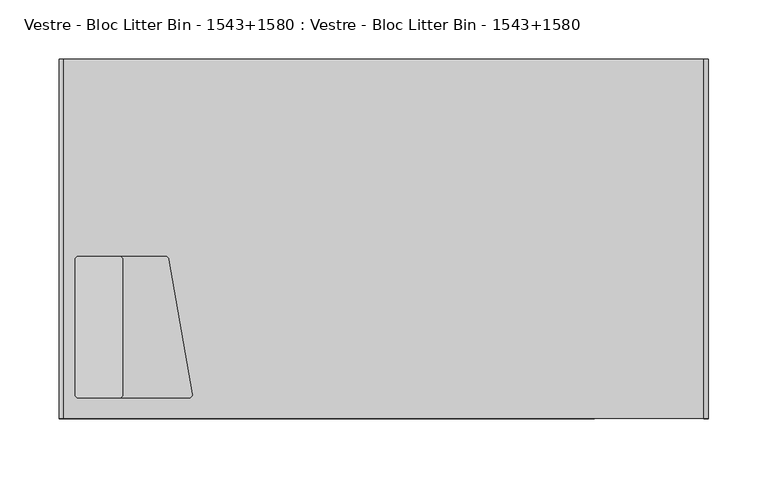
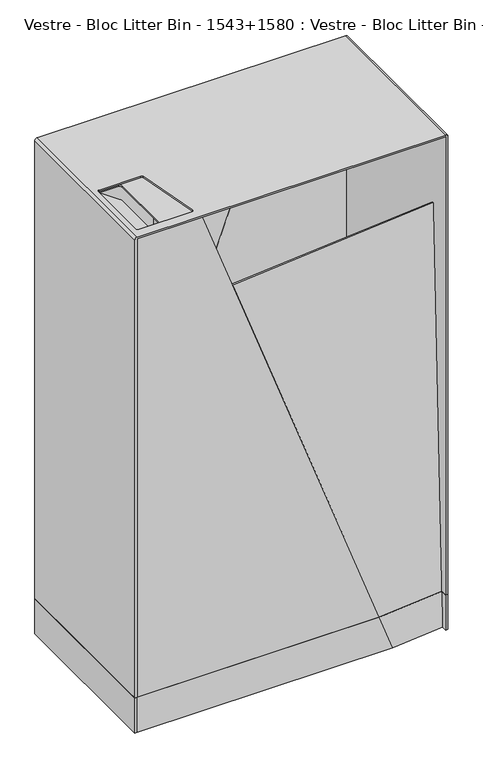
"""IFC4 building model written with IfcOpenShell, lengths in millimetres: furniture geometry, Vestre - Bloc Litter Bin - 1543+1580 : Vestre - Bloc Litter Bin - 1543+1580."""

from ifc_helpers import new_model, si_unit, point, frame, frame_2d, origin, origin_with_axes, place, context, project, spatial, polyline, circle_curve, trimmed, segment, composite_curve, outline, extrude, source, transform, mapped, element, save
from ifc_brep_helpers import plane_surface, cylinder_surface, revolved_surface, advanced_brep


def vestre_bloc_litter_bin_1543_1580_vestre_bloc_litter_bin_1543_cc7310d4(model_context):
    return source(origin(), model_context, "Body", "SolidModel", [
        extrude(outline(polyline([(0.0351938, 0.0), (-40.1453928, -110.8345149), (-101.27975, -88.3865833), (-69.1787794, 0.0), (0.0351938, 0.0)])), frame((-153.8954489, 149.1740765, 65.0066328), z_axis=(-0.09822462559456396, 0.9945218953682895, 0.035750839988354696), x_axis=(0.34302093272528, 0.00011195982877925737, 0.9393277527983913)), (0.0, 0.0, 1.0), 3.0),
        extrude(outline(polyline([(-0.055894, 271.5), (65.0, 271.5), (65.0, -154.2419347), (0.0677932, -177.9545315), (-0.055894, 271.5)])), frame((0.0, 149.25, 0.0), z_axis=(0.0, 1.0, 0.0), x_axis=(0.0, 0.0, 1.0)), (0.0, 0.0, 1.0), 3.0),
        extrude(outline(polyline([(0.0351938, 0.0), (-40.1453928, -110.8345149), (-101.27975, -88.3865833), (-69.1787794, 0.0), (0.0351938, 0.0)])), frame((154.8954489, -149.1740765, 65.0066328), z_axis=(0.09822462559456398, -0.9945218953682895, 0.0357508399883547), x_axis=(-0.3430209327252796, -0.000111959828779216, 0.9393277527983914)), (0.0, 0.0, 1.0), 3.0),
        extrude(outline(polyline([(-0.055894, -270.5), (0.0677932, 178.9545315), (65.0, 155.2419347), (65.0, -270.5), (-0.055894, -270.5)])), frame((0.0, -152.25, 0.0), z_axis=(0.0, 1.0, 0.0), x_axis=(0.0, 0.0, 1.0)), (0.0, 0.0, 1.0), 3.0),
        extrude(outline(polyline([(-270.5, -152.25), (-274.5, -152.25), (-274.5, 152.25), (-270.5, 152.25), (-270.5, -152.25)])), origin_with_axes(), (0.0, 0.0, 1.0), 65.0),
        extrude(outline(polyline([(275.5, -152.25), (271.5, -152.25), (271.5, 152.25), (275.5, 152.25), (275.5, -152.25)])), origin_with_axes(), (0.0, 0.0, 1.0), 65.0),
        extrude(outline(polyline([(-270.5, 137.7565535), (-154.897871, 149.1740758), (271.5, 149.1740758), (271.5, -137.6577879), (154.897871, -149.1740758), (-270.5, -149.1740758), (-270.5, 137.7565535)])), frame((0.0, 0.0, 65.0), z_axis=(0.0, 0.0, 1.0), x_axis=(1.0, 0.0, 0.0)), (0.0, 0.0, 1.0), 9.9592479),
        extrude(outline(composite_curve([segment(trimmed(circle_curve(frame_2d((114.0058046, -2.9581604)), 2.9581605), [point((114.0058046, 0.0))], [point((116.9639651, -2.9581604))], False, "CARTESIAN"), True, "CONTINUOUS"), segment(polyline([(116.9639651, -2.9581604), (116.9639651, -51.8649154), (-3.0360349, -51.8649154), (-3.0360349, -3.0372074)]), True, "CONTINUOUS"), segment(trimmed(circle_curve(frame_2d((0.0011726, -3.0372074)), 3.0372075), [point((-3.0360349, -3.0372074))], [point((0.0011726, 0.0))], False, "CARTESIAN"), True, "CONTINUOUS"), segment(polyline([(0.0011726, 0.0), (114.0058046, 0.0)]), True, "CONTINUOUS")], self_intersect=False)), frame((-219.7614191, -18.0360349, 885.2035483), z_axis=(0.5735764363510215, 0.0, 0.8191520442890091), x_axis=(0.0, -1.0, 0.0)), (0.0, 0.0, 1.0), 2.1735038),
        extrude(outline(polyline([(-264.4052107, -9.0), (-159.2634, -9.0), (-159.2634, -145.0), (-264.4052107, -145.0), (-264.4052107, -9.0)]), holes=[composite_curve([segment(polyline([(-220.5142172, -132.0045908), (-220.5142172, -18.0360349)]), True, "CONTINUOUS"), segment(trimmed(circle_curve(frame_2d((-223.5502521, -18.0360349)), 3.0360349), [point((-220.5142172, -18.0360349))], [point((-223.5502521, -15.0))], True, "CARTESIAN"), True, "CONTINUOUS"), segment(polyline([(-223.5502521, -15.0), (-257.9988658, -15.0)]), True, "CONTINUOUS"), segment(trimmed(circle_curve(frame_2d((-257.9988658, -18.0011342)), 3.0011342), [point((-257.9988658, -15.0))], [point((-261.0, -18.0011342))], True, "CARTESIAN"), True, "CONTINUOUS"), segment(polyline([(-261.0, -18.0011342), (-261.0, -131.9987029)]), True, "CONTINUOUS"), segment(trimmed(circle_curve(frame_2d((-257.9987029, -131.9987029)), 3.0012971), [point((-261.0, -131.9987029))], [point((-257.9987029, -135.0))], True, "CARTESIAN"), True, "CONTINUOUS"), segment(polyline([(-257.9987029, -135.0), (-223.5096264, -135.0)]), True, "CONTINUOUS"), segment(trimmed(circle_curve(frame_2d((-223.5096264, -132.0045908)), 2.9954092), [point((-223.5096264, -135.0))], [point((-220.5142172, -132.0045908))], True, "CARTESIAN"), True, "CONTINUOUS")], self_intersect=False)]), frame((0.0, 0.0, 914.8264962), z_axis=(0.0, 0.0, 1.0), x_axis=(1.0, 0.0, 0.0)), (0.0, 0.0, 1.0), 2.1735038),
        advanced_brep(
        [(-161.2634, -147.0, 782.7332002), (-157.2634, -147.0, 786.7332002), (-157.2634, -147.0, 917.0), (-266.4052107, -147.0, 917.0), (-266.4052107, -147.0, 782.7332002), (-161.2634, -7.0, 782.7332002), (-266.4052107, -7.0, 782.7332002), (-266.4052107, -7.0, 917.0), (-157.2634, -7.0, 917.0), (-157.2634, -7.0, 786.7332002), (-264.4052107, -145.0, 917.0), (-264.4052107, -9.0, 917.0), (-159.2634, -9.0, 917.0), (-159.2634, -145.0, 917.0), (-264.4052107, -9.0, 784.7332002), (-264.4052107, -145.0, 784.7332002), (-159.2634, -145.0, 784.7332002), (-159.2634, -9.0, 784.7332002)],
        [
            (0, 1, circle_curve(frame((-161.2634, -147.0, 786.7332002), z_axis=(0.0, -1.0, 0.0), x_axis=(1.0, 0.0, 0.0)), 4.0)),
            (1, 2),
            (2, 3),
            (3, 4),
            (4, 0),
            (5, 6),
            (6, 7),
            (7, 8),
            (8, 9),
            (9, 5, circle_curve(frame((-161.2634, -7.0, 786.7332002), z_axis=(0.0, 1.0, 0.0), x_axis=(1.0, 0.0, 0.0)), 4.0)),
            (0, 5),
            (9, 1),
            (8, 2),
            (7, 3),
            (10, 11),
            (11, 12),
            (12, 13),
            (13, 10),
            (6, 4),
            (14, 15),
            (15, 16),
            (16, 17),
            (17, 14),
            (14, 11),
            (10, 15),
            (13, 16),
            (12, 17),
        ],
        [
            plane_surface(frame((-157.2634, -147.0, 786.7332002), z_axis=(0.0, -1.0, 0.0), x_axis=(0.0, 0.0, 1.0))),
            plane_surface(frame((-157.2634, -7.0, 786.7332002), z_axis=(0.0, 1.0, 0.0), x_axis=(0.0, 0.0, -1.0))),
            cylinder_surface(frame((-161.2634, -7.0, 786.7332002), z_axis=(0.0, -1.0, 0.0), x_axis=(1.0, 0.0, 0.0)), 4.0),
            plane_surface(frame((-157.2634, -147.0, 786.7332002), z_axis=(1.0, 0.0, 0.0), x_axis=(0.0, 1.0, 0.0))),
            plane_surface(frame((-157.2634, -147.0, 917.0), z_axis=(0.0, 0.0, 1.0), x_axis=(0.0, 1.0, 0.0))),
            plane_surface(frame((-266.4052107, -147.0, 917.0), z_axis=(-1.0, 0.0, 0.0), x_axis=(0.0, 1.0, 0.0))),
            plane_surface(frame((-266.4052107, -147.0, 782.7332002), z_axis=(0.0, 0.0, -1.0), x_axis=(0.0, 1.0, 0.0))),
            plane_surface(frame((-264.4052107, -9.0, 784.7332002), z_axis=(0.0, 0.0, 1.0), x_axis=(0.0, 1.0, 0.0))),
            plane_surface(frame((-264.4052107, -9.0, 917.0), z_axis=(1.0, 0.0, 0.0), x_axis=(0.0, 0.0, -1.0))),
            plane_surface(frame((-264.4052107, -145.0, 917.0), z_axis=(0.0, 1.0, 0.0), x_axis=(0.0, 0.0, -1.0))),
            plane_surface(frame((-159.2634, -145.0, 917.0), z_axis=(-1.0, 0.0, 0.0), x_axis=(0.0, 0.0, -1.0))),
            plane_surface(frame((-159.2634, -9.0, 917.0), z_axis=(0.0, -1.0, 0.0), x_axis=(0.0, 0.0, -1.0))),
        ],
        [
            (0, [[1, 2, 3, 4, 5]]),
            (1, [[6, 7, 8, 9, 10]]),
            (2, [[-1, 11, -10, 12]]),
            (3, [[-2, -12, -9, 13]]),
            (4, [[-3, -13, -8, 14], [15, 16, 17, 18]]),
            (5, [[-4, -14, -7, 19]]),
            (6, [[-5, -19, -6, -11]]),
            (7, [[20, 21, 22, 23]]),
            (8, [[-20, 24, -15, 25]]),
            (9, [[-21, -25, -18, 26]]),
            (10, [[-22, -26, -17, 27]]),
            (11, [[-23, -27, -16, -24]]),
        ],
    ),
        advanced_brep(
        [(-270.5, -152.25, 65.0), (-270.5, -152.25, 917.0), (271.5, -152.25, 917.0), (271.5, -152.25, 65.0), (275.5, -152.25, 65.0), (275.5, -152.25, 916.0), (271.5, -152.25, 920.0), (-270.4822768, -152.25, 920.0), (-274.5, -152.25, 915.9822768), (-274.5, -152.25, 65.0), (-270.5, 152.25, 65.0), (-274.5, 152.25, 65.0), (-274.5, 152.25, 915.9822768), (-270.4822768, 152.25, 920.0), (271.5, 152.25, 920.0), (275.5, 152.25, 916.0), (275.5, 152.25, 65.0), (271.5, 152.25, 65.0), (271.5, 152.25, 917.0), (-270.5, 152.25, 917.0), (-161.6195281, -131.4864815, 917.0), (-181.7269288, -17.4517453, 917.0), (-184.6488051, -15.0, 917.0), (-258.0026011, -15.0, 917.0), (-261.0, -17.9973989, 917.0), (-261.0, -131.9593857, 917.0), (-257.9593857, -135.0, 917.0), (-164.5677202, -135.0, 917.0), (-181.7269288, -17.4517453, 920.0), (-161.6195281, -131.4864815, 920.0), (-164.5677202, -135.0, 920.0), (-257.9593857, -135.0, 920.0), (-261.0, -131.9593857, 920.0), (-261.0, -17.9973989, 920.0), (-258.0026011, -15.0, 920.0), (-184.6488051, -15.0, 920.0)],
        [
            (0, 1),
            (1, 2),
            (2, 3),
            (3, 4),
            (4, 5),
            (5, 6, circle_curve(frame((271.5, -152.25, 916.0), z_axis=(0.0, -1.0, 0.0), x_axis=(1.0, 0.0, 0.0)), 4.0)),
            (6, 7),
            (7, 8, circle_curve(frame((-270.4822768, -152.25, 915.9822768), z_axis=(0.0, -1.0, 0.0), x_axis=(1.0, 0.0, 0.0)), 4.0177232)),
            (8, 9),
            (9, 0),
            (10, 11),
            (11, 12),
            (12, 13, circle_curve(frame((-270.4822768, 152.25, 915.9822768), z_axis=(0.0, 1.0, 0.0), x_axis=(1.0, 0.0, 0.0)), 4.0177232)),
            (13, 14),
            (14, 15, circle_curve(frame((271.5, 152.25, 916.0), z_axis=(0.0, 1.0, 0.0), x_axis=(1.0, 0.0, 0.0)), 4.0)),
            (15, 16),
            (16, 17),
            (17, 18),
            (18, 19),
            (19, 10),
            (0, 10),
            (19, 1),
            (18, 2),
            (20, 21),
            (21, 22, circle_curve(frame((-184.6488051, -17.9669509, 917.0), z_axis=(0.0, 0.0, 1.0), x_axis=(1.0, 0.0, 0.0)), 2.9669509)),
            (22, 23),
            (23, 24, circle_curve(frame((-258.0026011, -17.9973989, 917.0), z_axis=(0.0, 0.0, 1.0), x_axis=(1.0, 0.0, 0.0)), 2.9973989)),
            (24, 25),
            (25, 26, circle_curve(frame((-257.9593857, -131.9593857, 917.0), z_axis=(0.0, 0.0, 1.0), x_axis=(1.0, 0.0, 0.0)), 3.0406143)),
            (26, 27),
            (27, 20, circle_curve(frame((-164.5677202, -132.0063273, 917.0), z_axis=(0.0, 0.0, 1.0), x_axis=(1.0, 0.0, 0.0)), 2.9936727)),
            (17, 3),
            (16, 4),
            (15, 5),
            (14, 6),
            (13, 7),
            (28, 29),
            (29, 30, circle_curve(frame((-164.5677202, -132.0063273, 920.0), z_axis=(0.0, 0.0, -1.0), x_axis=(1.0, 0.0, 0.0)), 2.9936727)),
            (30, 31),
            (31, 32, circle_curve(frame((-257.9593857, -131.9593857, 920.0), z_axis=(0.0, 0.0, -1.0), x_axis=(1.0, 0.0, 0.0)), 3.0406143)),
            (32, 33),
            (33, 34, circle_curve(frame((-258.0026011, -17.9973989, 920.0), z_axis=(0.0, 0.0, -1.0), x_axis=(1.0, 0.0, 0.0)), 2.9973989)),
            (34, 35),
            (35, 28, circle_curve(frame((-184.6488051, -17.9669509, 920.0), z_axis=(0.0, 0.0, -1.0), x_axis=(1.0, 0.0, 0.0)), 2.9669509)),
            (12, 8),
            (11, 9),
            (20, 29),
            (28, 21),
            (35, 22),
            (34, 23),
            (33, 24),
            (32, 25),
            (31, 26),
            (30, 27),
        ],
        [
            plane_surface(frame((-270.5, -152.25, 65.0), z_axis=(0.0, -1.0, 0.0), x_axis=(0.0, 0.0, 1.0))),
            plane_surface(frame((-270.5, 152.25, 65.0), z_axis=(0.0, 1.0, 0.0), x_axis=(0.0, 0.0, -1.0))),
            plane_surface(frame((-270.5, -152.25, 65.0), z_axis=(1.0, 0.0, 0.0), x_axis=(0.0, 1.0, 0.0))),
            plane_surface(frame((-270.5, -152.25, 917.0), z_axis=(0.0, 0.0, -1.0), x_axis=(0.0, 1.0, 0.0))),
            plane_surface(frame((271.5, -152.25, 917.0), z_axis=(-1.0, 0.0, 0.0), x_axis=(0.0, 1.0, 0.0))),
            plane_surface(frame((271.5, -152.25, 65.0), z_axis=(0.0, 0.0, -1.0), x_axis=(0.0, 1.0, 0.0))),
            plane_surface(frame((275.5, -152.25, 65.0), z_axis=(1.0, 0.0, 0.0), x_axis=(0.0, 1.0, 0.0))),
            cylinder_surface(frame((271.5, 152.25, 916.0), z_axis=(0.0, -1.0, 0.0), x_axis=(1.0, 0.0, 0.0)), 4.0),
            plane_surface(frame((271.5, -152.25, 920.0), z_axis=(0.0, 0.0, 1.0), x_axis=(0.0, 1.0, 0.0))),
            cylinder_surface(frame((-270.4822768, 152.25, 915.9822768), z_axis=(0.0, -1.0, 0.0), x_axis=(1.0, 0.0, 0.0)), 4.0177232),
            plane_surface(frame((-274.5, -152.25, 915.9822768), z_axis=(-1.0, 0.0, 0.0), x_axis=(0.0, 1.0, 0.0))),
            plane_surface(frame((-274.5, -152.25, 65.0), z_axis=(0.0, 0.0, -1.0), x_axis=(0.0, 1.0, 0.0))),
            plane_surface(frame((-161.6195281, -131.4864815, 924.306689), z_axis=(-0.9848077530122034, -0.17364817766695756, 0.0), x_axis=(0.0, 0.0, -1.0))),
            revolved_surface(polyline([(-181.6818542, -17.9669509, 920.0), (-181.6818542, -17.9669509, 917.0)]), (-184.6488051, -17.9669509, 917.0), (0.0, 0.0, 1.0)),
            plane_surface(frame((-184.6488051, -15.0, 924.306689), z_axis=(0.0, -1.0, 0.0), x_axis=(0.0, 0.0, -1.0))),
            revolved_surface(polyline([(-255.00520219999999, -17.9973989, 920.0), (-255.00520219999999, -17.9973989, 917.0)]), (-258.0026011, -17.9973989, 917.0), (0.0, 0.0, 1.0)),
            plane_surface(frame((-261.0, -17.9973989, 924.306689), z_axis=(1.0, 0.0, 0.0), x_axis=(0.0, 0.0, -1.0))),
            revolved_surface(polyline([(-254.9187714, -131.9593857, 920.0), (-254.9187714, -131.9593857, 917.0)]), (-257.9593857, -131.9593857, 917.0), (0.0, 0.0, 1.0)),
            plane_surface(frame((-257.9593857, -135.0, 924.306689), z_axis=(0.0, 1.0, 0.0), x_axis=(0.0, 0.0, -1.0))),
            revolved_surface(polyline([(-161.5740475, -132.0063273, 920.0), (-161.5740475, -132.0063273, 917.0)]), (-164.5677202, -132.0063273, 917.0), (0.0, 0.0, 1.0)),
        ],
        [
            (0, [[1, 2, 3, 4, 5, 6, 7, 8, 9, 10]]),
            (1, [[11, 12, 13, 14, 15, 16, 17, 18, 19, 20]]),
            (2, [[-1, 21, -20, 22]]),
            (3, [[-2, -22, -19, 23], [24, 25, 26, 27, 28, 29, 30, 31]]),
            (4, [[-3, -23, -18, 32]]),
            (5, [[-4, -32, -17, 33]]),
            (6, [[-5, -33, -16, 34]]),
            (7, [[-6, -34, -15, 35]]),
            (8, [[-7, -35, -14, 36], [37, 38, 39, 40, 41, 42, 43, 44]]),
            (9, [[-8, -36, -13, 45]]),
            (10, [[-9, -45, -12, 46]]),
            (11, [[-10, -46, -11, -21]]),
            (12, [[47, -37, 48, -24]]),
            (13, [[-48, -44, 49, -25]]),
            (14, [[-49, -43, 50, -26]]),
            (15, [[-50, -42, 51, -27]]),
            (16, [[-51, -41, 52, -28]]),
            (17, [[-52, -40, 53, -29]]),
            (18, [[-53, -39, 54, -30]]),
            (19, [[-47, -31, -54, -38]]),
        ],
    ),
        extrude(outline(composite_curve([segment(polyline([(-255.5, -119.75), (-255.5, 112.735536)]), True, "CONTINUOUS"), segment(trimmed(circle_curve(frame_2d((-245.5, 112.735536)), 10.0), [point((-255.5, 112.735536))], [point((-246.5452846, 122.680755))], False, "CARTESIAN"), True, "CONTINUOUS"), segment(polyline([(-246.5452846, 122.680755), (-155.5, 132.25), (246.5, 132.25)]), True, "CONTINUOUS"), segment(trimmed(circle_curve(frame_2d((246.5, 122.25)), 10.0), [point((246.5, 132.25))], [point((256.5, 122.25))], False, "CARTESIAN"), True, "CONTINUOUS"), segment(polyline([(256.5, 122.25), (256.5, -110.235536)]), True, "CONTINUOUS"), segment(trimmed(circle_curve(frame_2d((246.5, -110.235536)), 10.0), [point((256.5, -110.235536))], [point((247.5452846, -120.180755))], False, "CARTESIAN"), True, "CONTINUOUS"), segment(polyline([(247.5452846, -120.180755), (156.5, -129.75), (-245.5, -129.75)]), True, "CONTINUOUS"), segment(trimmed(circle_curve(frame_2d((-245.5, -119.75)), 10.0), [point((-245.5, -129.75))], [point((-255.5, -119.75))], False, "CARTESIAN"), True, "CONTINUOUS")], self_intersect=False)), origin_with_axes(), (0.0, 0.0, 1.0), 65.0745777),
        extrude(outline(polyline([(64.9997248, 271.5), (917.0, 271.5), (917.0, 155.9), (65.1171498, -155.1991527), (64.9997248, 271.5)])), frame((0.0, 149.25, 0.0), z_axis=(0.0, 1.0, 0.0), x_axis=(0.0, 0.0, 1.0)), (0.0, 0.0, 1.0), 3.0),
        extrude(outline(polyline([(752.3104603, 0.0), (623.7538599, -354.611758), (-40.247271, -110.7971063), (-0.0070612, 1e-07), (752.3104603, 0.0)])), frame((-154.8954489, 149.1740765, 65.0066328), z_axis=(-0.09822462559456396, 0.9945218953682895, 0.035750839988354696), x_axis=(0.34302093272528006, 0.00011195982877926703, 0.9393277527983913)), (0.0, 0.0, 1.0), 3.0),
        extrude(outline(polyline([(752.3104603, 0.0), (623.7538599, -354.611758), (-40.247271, -110.7971063), (-0.0070612, 1e-07), (752.3104603, 0.0)])), frame((154.8954489, -149.1740765, 65.0066328), z_axis=(0.09822462559456396, -0.9945218953682895, 0.03575083998835469), x_axis=(-0.34302093272527995, -0.00011195982877926014, 0.9393277527983913)), (0.0, 0.0, 1.0), 3.0),
        extrude(outline(polyline([(65.0, -270.5), (65.1171498, 155.1991527), (917.0, -155.9), (917.0, -270.5), (65.0, -270.5)])), frame((0.0, -152.25, 0.0), z_axis=(0.0, 1.0, 0.0), x_axis=(0.0, 0.0, 1.0)), (0.0, 0.0, 1.0), 3.0),
    ])


if __name__ == "__main__":
    model = new_model("IFC4")
    model_context = context("Model", 3, world=origin())
    ifc_project = project(units=[si_unit("LENGTHUNIT", "METRE", prefix="MILLI")], contexts=[model_context])
    site = spatial("IfcSite", under=ifc_project)
    building = spatial("IfcBuilding", under=site)
    placement = place(None, origin())
    vestre_bloc_litter_bin_1543_1580_vestre_bloc_litter_bin_1543_shape = vestre_bloc_litter_bin_1543_1580_vestre_bloc_litter_bin_1543_cc7310d4(model_context)
    element("IfcFurniture", 1, ObjectType="Vestre - Bloc Litter Bin - 1543+1580 : Vestre - Bloc Litter Bin - 1543+1580", at=placement, inside=building, context=model_context, shape_type="MappedRepresentation", body=[
        mapped(vestre_bloc_litter_bin_1543_1580_vestre_bloc_litter_bin_1543_shape, transform((0.0, 0.0, 0.0), x_axis=(1.0, 0.0, 0.0), y_axis=(0.0, 1.0, 0.0), z_axis=(0.0, 0.0, 1.0))),
    ])
    save(model, "model.ifc")
